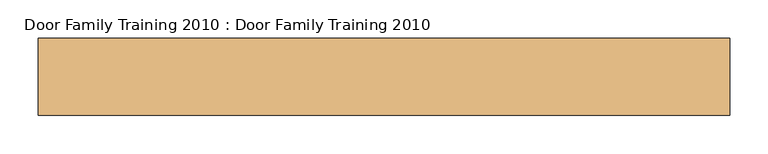
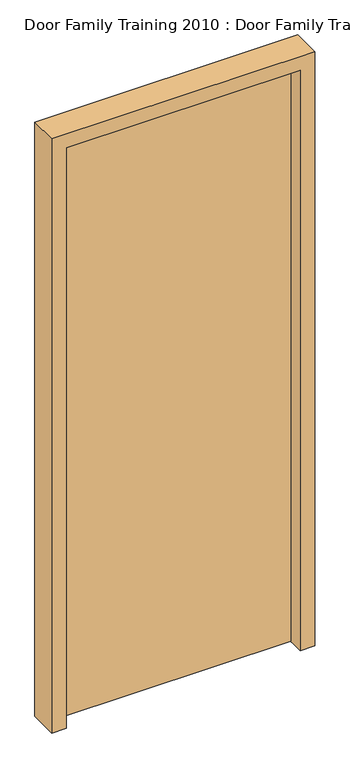
"""IFC4 building model written with IfcOpenShell, lengths in millimetres: door geometry, Door Family Training 2010 : Door Family Training 2010."""

import ifcopenshell
import ifcopenshell.guid

model = None  # the IFC model being written
_history = None  # IfcOwnerHistory: only IFC2X3 demands one
_inside = {}  # id of a spatial element -> (the spatial element, [elements in it])
_under = {}  # id of a project, library or spatial element -> (it, [spatial elements below it])
_declared = {}  # id of a project -> (the project, [libraries it declares])
_typed = {}  # id of a type object -> (the type object, [elements of that type])
_made_of = {}  # id of a material, layer set ... -> (it, [elements and type objects made of it])


def new_model(schema):
    """Start an empty IFC model of exactly this schema.

    Asked for "IFC4X3", IfcOpenShell would pick the latest addendum, in which some entities
    have other attributes; the version numbers below select the first issue.
    IFC2X3 requires an IfcOwnerHistory on every rooted entity: one is made here for all.
    """
    global model, _history
    if schema == "IFC4X3":
        model = ifcopenshell.file(schema_version=(4, 3, 0, 0))
    else:
        model = ifcopenshell.file(schema=schema)
    _inside.clear()
    _under.clear()
    _declared.clear()
    _typed.clear()
    _made_of.clear()
    _history = None
    if model.schema == "IFC2X3":
        org = make("IfcOrganization", Name="unknown")
        user = make(
            "IfcPersonAndOrganization",
            ThePerson=make("IfcPerson", FamilyName="unknown"),
            TheOrganization=org,
        )
        app = make(
            "IfcApplication",
            ApplicationDeveloper=org,
            Version="unknown",
            ApplicationFullName="unknown",
            ApplicationIdentifier="unknown",
        )
        _history = make(
            "IfcOwnerHistory",
            OwningUser=user,
            OwningApplication=app,
            ChangeAction="ADDED",
            CreationDate=0,
        )
    return model


def make(cls, **values):
    """One entity of the class cls with the attributes given. An attribute that is None is left unset."""
    return model.create_entity(
        cls, **{name: value for name, value in values.items() if value is not None}
    )


def rooted(cls, **values):
    """An entity with a GlobalId (a new one), such as an element, a storey or a relation."""
    return make(cls, GlobalId=ifcopenshell.guid.new(), OwnerHistory=_history, **values)


def si_unit(unit_type, name, prefix=None):
    """IfcSIUnit, for example si_unit("LENGTHUNIT", "METRE", prefix="MILLI")."""
    return make("IfcSIUnit", UnitType=unit_type, Prefix=prefix, Name=name)


def assignment(units):
    """IfcUnitAssignment: the units of a project."""
    return None if units is None else make("IfcUnitAssignment", Units=units)


def point(xyz):
    """IfcCartesianPoint."""
    return None if xyz is None else make("IfcCartesianPoint", Coordinates=xyz)


def direction(xyz):
    """IfcDirection."""
    return None if xyz is None else make("IfcDirection", DirectionRatios=xyz)


def frame(location, z_axis=None, x_axis=None):
    """IfcAxis2Placement3D, a coordinate frame: its origin and axes. An axis left out is left unset."""
    return make(
        "IfcAxis2Placement3D",
        Location=point(location),
        Axis=direction(z_axis),
        RefDirection=direction(x_axis),
    )


def origin():
    """The frame at (0, 0, 0) with its axes left unset."""
    return frame((0.0, 0.0, 0.0))


def origin_with_axes():
    """The frame at (0, 0, 0) with the z axis (0, 0, 1) and the x axis (1, 0, 0) written out."""
    return frame((0.0, 0.0, 0.0), z_axis=(0.0, 0.0, 1.0), x_axis=(1.0, 0.0, 0.0))


def place(relative_to, where):
    """IfcLocalPlacement: puts the frame where relative to a parent placement (None: the world)."""
    return make(
        "IfcLocalPlacement", PlacementRelTo=relative_to, RelativePlacement=where
    )


def context(
    kind, dimensions, precision=None, world=None, true_north=None, identifier=None
):
    """IfcGeometricRepresentationContext, for example the 3D "Model" context."""
    return make(
        "IfcGeometricRepresentationContext",
        ContextIdentifier=identifier,
        ContextType=kind,
        CoordinateSpaceDimension=dimensions,
        Precision=precision,
        WorldCoordinateSystem=world,
        TrueNorth=true_north,
    )


def project(units=None, contexts=None):
    """IfcProject with its units and contexts."""
    return rooted(
        "IfcProject",
        Name="project",
        RepresentationContexts=contexts,
        UnitsInContext=assignment(units),
    )


def spatial(cls, under=None, at=None, **own):
    """A site, building, storey or space (cls), placed at a placement, below another one or the project."""
    s = rooted(cls, ObjectPlacement=at, **own)
    if under is not None:
        _under.setdefault(under.id(), (under, []))[1].append(s)
    return s


def polyline(points):
    """IfcPolyline through the points."""
    return make("IfcPolyline", Points=[point(p) for p in points])


def outline(outer, holes=None, kind="AREA"):
    """IfcArbitraryClosedProfileDef: a profile drawn as a closed curve; with holes, ...WithVoids."""
    if holes is None:
        return make("IfcArbitraryClosedProfileDef", ProfileType=kind, OuterCurve=outer)
    return make(
        "IfcArbitraryProfileDefWithVoids",
        ProfileType=kind,
        OuterCurve=outer,
        InnerCurves=holes,
    )


def extrude(swept, where, along, depth):
    """IfcExtrudedAreaSolid: the profile swept, set in the frame where, extruded along a direction by depth."""
    return make(
        "IfcExtrudedAreaSolid",
        SweptArea=swept,
        Position=where,
        ExtrudedDirection=direction(along),
        Depth=depth,
    )


def shape(context_of_items, identifier, shape_type, items):
    """IfcShapeRepresentation: the items that make up one representation, for example the "Body"."""
    return make(
        "IfcShapeRepresentation",
        ContextOfItems=context_of_items,
        RepresentationIdentifier=identifier,
        RepresentationType=shape_type,
        Items=items,
    )


def source(mapping_origin, context_of_items, identifier, shape_type, items):
    """IfcRepresentationMap: a shape defined once, which mapped items show again and again."""
    return make(
        "IfcRepresentationMap",
        MappingOrigin=mapping_origin,
        MappedRepresentation=shape(context_of_items, identifier, shape_type, items),
    )


def transform(
    local_origin,
    x_axis=None,
    y_axis=None,
    z_axis=None,
    scale=None,
    scale2=None,
    scale3=None,
    uniform=True,
):
    """IfcCartesianTransformationOperator3D, or its non-uniform kind. x_axis, y_axis, z_axis: its Axis1, 2, 3."""
    if uniform:
        return make(
            "IfcCartesianTransformationOperator3D",
            Axis1=direction(x_axis),
            Axis2=direction(y_axis),
            LocalOrigin=point(local_origin),
            Scale=scale,
            Axis3=direction(z_axis),
        )
    return make(
        "IfcCartesianTransformationOperator3DnonUniform",
        Axis1=direction(x_axis),
        Axis2=direction(y_axis),
        LocalOrigin=point(local_origin),
        Scale=scale,
        Axis3=direction(z_axis),
        Scale2=scale2,
        Scale3=scale3,
    )


def mapped(mapping_source, mapping_target):
    """IfcMappedItem: shows the shape of a source again, moved by a transform."""
    return make(
        "IfcMappedItem", MappingSource=mapping_source, MappingTarget=mapping_target
    )


def made_of(thing, what):
    """Note that an element or type object is made of a material, layer set ...; save() writes the relation."""
    if what is not None:
        _made_of.setdefault(what.id(), (what, []))[1].append(thing)
    return thing


def element(
    cls,
    number,
    at=None,
    inside=None,
    cuts=None,
    type_object=None,
    material=None,
    context=None,
    identifier="Body",
    shape_type=None,
    held_by="IfcProductDefinitionShape",
    body=None,
    shapes=None,
    **own,
):
    """One element of the class cls, such as IfcWall. Its Tag is "e" and its number.

    at: its placement. inside: the storey or other place that contains it. cuts: it is an
    opening in that element (IfcRelVoidsElement). A single representation is given by context,
    identifier, shape_type and body (its items); several are given by shapes. held_by: the class
    of the entity that holds the representations. save() writes the other relations.
    """
    e = rooted(cls, Tag="e%d" % number, ObjectPlacement=at, **own)
    if body is not None:
        shapes = [shape(context, identifier, shape_type, body)]
    if shapes is not None:
        e.Representation = make(held_by, Representations=shapes)
    if inside is not None:
        _inside.setdefault(inside.id(), (inside, []))[1].append(e)
    if cuts is not None:
        rooted(
            "IfcRelVoidsElement", RelatingBuildingElement=cuts, RelatedOpeningElement=e
        )
    if type_object is not None:
        _typed.setdefault(type_object.id(), (type_object, []))[1].append(e)
    return made_of(e, material)


def aggregate(whole, parts):
    """IfcRelAggregates: a whole, such as a stair, and the parts it consists of."""
    return rooted("IfcRelAggregates", RelatingObject=whole, RelatedObjects=parts)


def save(model, path):
    """Write the relations noted so far, then the file.

    IfcRelAggregates (storeys below a building ...), IfcRelContainedInSpatialStructure (elements
    in a storey), IfcRelDefinesByType, IfcRelAssociatesMaterial and IfcRelDeclares: one each for
    every whole, place, type object, material and project.
    """
    for whole, parts in _under.values():
        aggregate(whole, parts)
    for where, things in _inside.values():
        rooted(
            "IfcRelContainedInSpatialStructure",
            RelatedElements=things,
            RelatingStructure=where,
        )
    for kind, things in _typed.values():
        rooted("IfcRelDefinesByType", RelatedObjects=things, RelatingType=kind)
    for what, things in _made_of.values():
        rooted("IfcRelAssociatesMaterial", RelatedObjects=things, RelatingMaterial=what)
    for by, libraries in _declared.values():
        rooted("IfcRelDeclares", RelatingContext=by, RelatedDefinitions=libraries)
    model.write(path)


def door_family_training_2010_door_family_training_2010_43242dbc(model_context):
    return source(origin(), model_context, "Body", "SweptSolid", [
        extrude(outline(polyline([(499.2875385, 29.5), (-300.7124615, 29.5), (-300.7124615, 73.5), (499.2875385, 73.5), (499.2875385, 29.5)])), origin_with_axes(), (0.0, 0.0, 1.0), 2100.0),
        extrude(outline(polyline([(-300.0, 73.5), (500.0, 73.5), (500.0, 53.0), (-300.0, 53.0), (-300.0, 73.5)])), origin_with_axes(), (0.0, 0.0, 1.0), 400.0),
        extrude(outline(polyline([(0.0, 549.2875385), (2150.0, 549.2875385), (2150.0, -350.7124615), (0.0, -350.7124615), (0.0, -300.7124615), (2100.0, -300.7124615), (2100.0, 499.2875385), (0.0, 499.2875385), (0.0, 549.2875385)])), frame((0.0, -26.5, 0.0), z_axis=(0.0, 1.0, 0.0), x_axis=(0.0, 0.0, 1.0)), (0.0, 0.0, 1.0), 100.0),
    ])


if __name__ == "__main__":
    model = new_model("IFC4")
    model_context = context("Model", 3, world=origin())
    ifc_project = project(units=[si_unit("LENGTHUNIT", "METRE", prefix="MILLI")], contexts=[model_context])
    site = spatial("IfcSite", under=ifc_project)
    building = spatial("IfcBuilding", under=site)
    placement = place(None, origin())
    door_family_training_2010_door_family_training_2010_shape = door_family_training_2010_door_family_training_2010_43242dbc(model_context)
    element("IfcDoor", 1, ObjectType="Door Family Training 2010 : Door Family Training 2010", at=placement, inside=building, context=model_context, shape_type="MappedRepresentation", body=[
        mapped(door_family_training_2010_door_family_training_2010_shape, transform((0.0, 0.0, 0.0), x_axis=(1.0, 0.0, 0.0), y_axis=(0.0, 1.0, 0.0), z_axis=(0.0, 0.0, 1.0))),
    ])
    save(model, "model.ifc")
